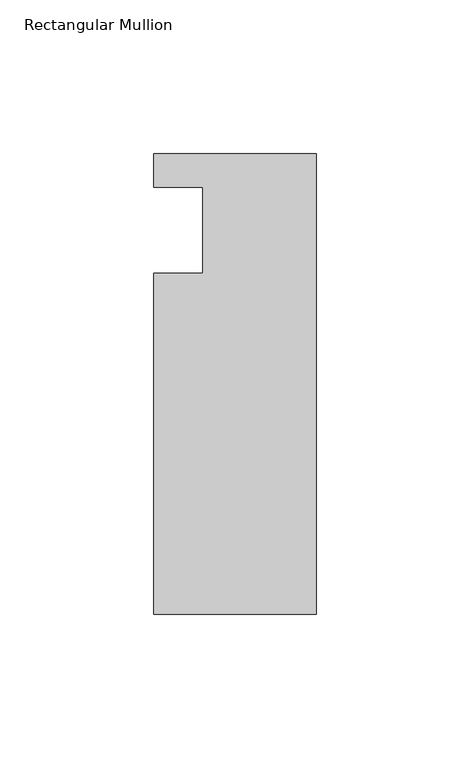
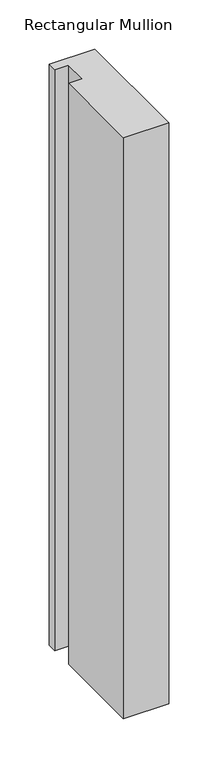
"""IFC4 building model written with IfcOpenShell, lengths in millimetres: member geometry, Rectangular Mullion."""

from ifc_helpers import new_model, si_unit, frame, origin, place, context, project, spatial, polyline, outline, extrude, source, transform, mapped, element, save


def rectangular_mullion_4f431a72(model_context):
    return source(origin(), model_context, "Body", "SweptSolid", [
        extrude(outline(polyline([(0.0, 25.0), (0.0, -125.0), (-53.0, -125.0), (-53.0, -14.0), (-37.0, -14.0), (-37.0, 14.0), (-53.0, 14.0), (-53.0, 25.0), (0.0, 25.0)])), frame((0.0, 0.0, -718.9850736), z_axis=(0.0, 0.0, 1.0), x_axis=(1.0, 0.0, 0.0)), (0.0, 0.0, 1.0), 718.9850736),
    ])


if __name__ == "__main__":
    model = new_model("IFC4")
    model_context = context("Model", 3, world=origin())
    ifc_project = project(units=[si_unit("LENGTHUNIT", "METRE", prefix="MILLI")], contexts=[model_context])
    site = spatial("IfcSite", under=ifc_project)
    building = spatial("IfcBuilding", under=site)
    placement = place(None, origin())
    rectangular_mullion_shape = rectangular_mullion_4f431a72(model_context)
    element("IfcMember", 1, ObjectType="Rectangular Mullion", at=placement, inside=building, context=model_context, shape_type="MappedRepresentation", body=[
        mapped(rectangular_mullion_shape, transform((0.0, 0.0, 0.0), x_axis=(1.0, 0.0, 0.0), y_axis=(0.0, 1.0, 0.0), z_axis=(0.0, 0.0, 1.0))),
    ])
    save(model, "model.ifc")
